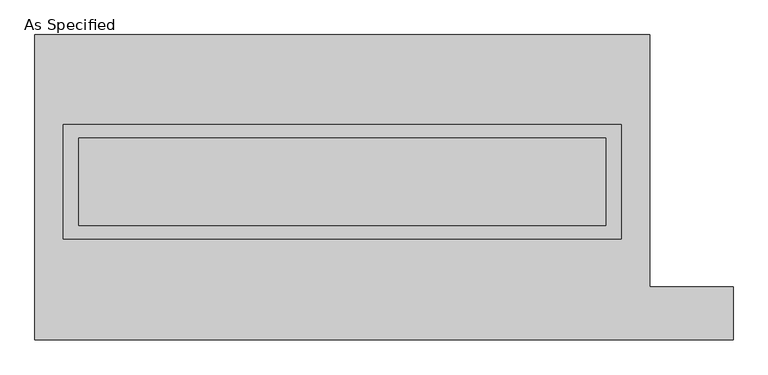
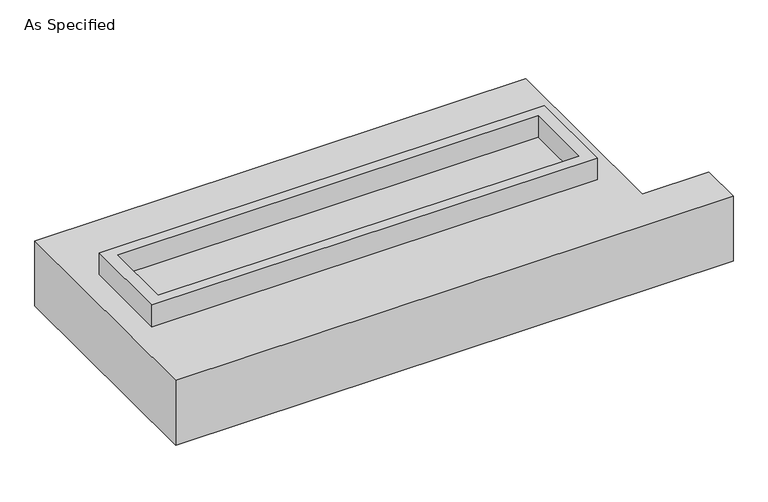
"""IFC4 building model written with IfcOpenShell, lengths in millimetres: proxy geometry, As Specified."""

from ifc_helpers import new_model, si_unit, frame, origin, place, context, project, spatial, polyline, outline, extrude, source, transform, mapped, element, save


def as_specified_36f4f4a4(model_context):
    return source(origin(), model_context, "Body", "SweptSolid", [
        extrude(outline(polyline([(1612.9, 361.95), (1612.9, -298.45), (-1612.9, -298.45), (-1612.9, 361.95), (1612.9, 361.95)]), holes=[polyline([(1524.0, 285.75), (-1524.0, 285.75), (-1524.0, -222.25), (1524.0, -222.25), (1524.0, 285.75)])]), frame((0.0, 0.0, -688.975), z_axis=(0.0, 0.0, 1.0), x_axis=(1.0, 0.0, 0.0)), (0.0, 0.0, 1.0), 165.1),
        extrude(outline(polyline([(1612.9, 361.95), (1612.9, -298.45), (-1612.9, -298.45), (-1612.9, 361.95), (1612.9, 361.95)]), holes=[polyline([(1524.0, 285.75), (-1524.0, 285.75), (-1524.0, -222.25), (1524.0, -222.25), (1524.0, 285.75)])]), frame((0.0, 0.0, -25.4), z_axis=(0.0, 0.0, 1.0), x_axis=(1.0, 0.0, 0.0)), (0.0, 0.0, 1.0), 165.1),
        extrude(outline(polyline([(1524.0, 285.75), (1524.0, -222.25), (-1524.0, -222.25), (-1524.0, 285.75), (1524.0, 285.75)])), frame((0.0, 0.0, -523.875), z_axis=(0.0, 0.0, 1.0), x_axis=(1.0, 0.0, 0.0)), (0.0, 0.0, 1.0), 4.9609375),
        extrude(outline(polyline([(1524.0, 285.75), (1524.0, -222.25), (-1524.0, -222.25), (-1524.0, 285.75), (1524.0, 285.75)])), frame((0.0, 0.0, -30.3609375), z_axis=(0.0, 0.0, 1.0), x_axis=(1.0, 0.0, 0.0)), (0.0, 0.0, 1.0), 4.9609375),
        extrude(outline(polyline([(-1778.0, 882.65), (1778.0, 882.65), (1778.0, -577.85), (2260.6, -577.85), (2260.6, -882.65), (-1778.0, -882.65), (-1778.0, 882.65)]), holes=[polyline([(-1612.9, 361.95), (-1612.9, -298.45), (1612.9, -298.45), (1612.9, 361.95), (-1612.9, 361.95)])]), frame((0.0, 0.0, -523.875), z_axis=(0.0, 0.0, 1.0), x_axis=(1.0, 0.0, 0.0)), (0.0, 0.0, 1.0), 498.475),
    ])


if __name__ == "__main__":
    model = new_model("IFC4")
    model_context = context("Model", 3, world=origin())
    ifc_project = project(units=[si_unit("LENGTHUNIT", "METRE", prefix="MILLI")], contexts=[model_context])
    site = spatial("IfcSite", under=ifc_project)
    building = spatial("IfcBuilding", under=site)
    placement = place(None, origin())
    as_specified_shape = as_specified_36f4f4a4(model_context)
    element("IfcBuildingElementProxy", 1, Name="As Specified", ObjectType="As Specified", at=placement, inside=building, context=model_context, shape_type="MappedRepresentation", body=[
        mapped(as_specified_shape, transform((0.0, 0.0, 0.0), x_axis=(1.0, 0.0, 0.0), y_axis=(0.0, 1.0, 0.0), z_axis=(0.0, 0.0, 1.0))),
    ])
    save(model, "model.ifc")
